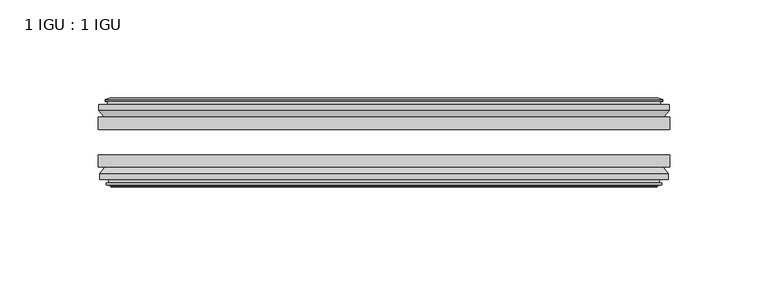
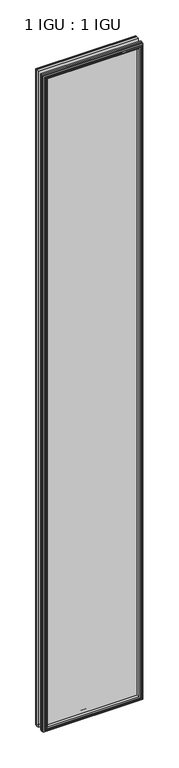
"""IFC4 building model written with IfcOpenShell, lengths in millimetres: plate geometry, 1 IGU : 1 IGU."""

from ifc_helpers import new_model, si_unit, frame, origin, place, context, project, spatial, polyline, outline, extrude, faceted_brep, source, transform, mapped, element, save


def plate_1_igu_1_igu_8593e378(model_context):
    return source(origin(), model_context, "Body", "SolidModel", [
        extrude(outline(polyline([(145.5801766, -25.8960937), (145.5801766, -32.2460938), (-145.5801766, -32.2460938), (-145.5801766, -25.8960937), (145.5801766, -25.8960937)])), frame((0.0, 0.0, -12.7), z_axis=(0.0, 0.0, 1.0), x_axis=(1.0, 0.0, 0.0)), (0.0, 0.0, 1.0), 2019.3),
        extrude(outline(polyline([(-145.5801766, -51.2960938), (-145.5801766, -45.2686737), (145.5801766, -45.2686737), (145.5801766, -51.2960938), (-145.5801766, -51.2960938)])), frame((0.0, 0.0, -12.7), z_axis=(0.0, 0.0, 1.0), x_axis=(1.0, 0.0, 0.0)), (0.0, 0.0, 1.0), 2019.3),
        faceted_brep([(-139.9921766, -60.0262907, 2001.012), (-140.3731766, -57.6460937, 2001.393), (-140.3731766, -57.6460937, -7.493), (-139.9921766, -60.0262907, -7.112), (-141.4077056, -59.5663575, 2002.4275291), (-141.4077056, -59.5663575, -8.5275291), (-141.4077056, -60.3675717, 2002.4275291), (-141.4077056, -60.3675717, -8.5275291), (-139.2301766, -61.0750937, 2000.25), (-139.2301766, -61.0750937, -6.35), (-137.0526475, -60.3675717, 1998.072471), (-137.0526475, -60.3675717, -4.1724709), (-137.0526475, -59.5663575, 1998.072471), (-137.0526475, -59.5663575, -4.1724709), (-138.4681766, -60.0262907, 1999.488), (-138.4681766, -60.0262907, -5.588), (-138.0871766, -57.6460937, 1999.107), (-138.0871766, -57.6460937, -5.207), (-131.1624585, -51.2960937, 1992.1822819), (-132.8801766, -57.6460937, 1993.9), (-132.8801766, -57.6460937, 0.0), (-131.1624585, -51.2960937, 1.7177181), (-144.8181766, -54.6996937, 2005.838), (-141.9838344, -51.2960937, 2003.0036578), (-141.9838344, -51.2960937, -9.1036578), (-144.8181766, -54.6996937, -11.938), (-144.8181766, -57.6460937, 2005.838), (-144.8181766, -57.6460937, -11.938), (140.3731766, -57.6460938, -7.493), (139.9921766, -60.0262907, -7.112), (141.4077056, -59.5663575, -8.5275291), (141.4077056, -60.3675717, -8.5275291), (139.2301766, -61.0750937, -6.35), (137.0526475, -60.3675717, -4.1724709), (137.0526475, -59.5663575, -4.1724709), (138.4681766, -60.0262907, -5.588), (138.0871766, -57.6460937, -5.207), (132.8801766, -57.6460937, 0.0), (131.1624585, -51.2960937, 1.7177181), (141.9838344, -51.2960937, -9.1036578), (144.8181766, -54.6996937, -11.938), (144.8181766, -57.6460938, -11.938), (140.3731766, -57.6460938, 2001.393), (139.9921766, -60.0262907, 2001.012), (141.4077056, -59.5663575, 2002.4275291), (141.4077056, -60.3675717, 2002.4275291), (139.2301766, -61.0750937, 2000.25), (137.0526475, -60.3675717, 1998.072471), (137.0526475, -59.5663575, 1998.072471), (138.4681766, -60.0262907, 1999.488), (138.0871766, -57.6460937, 1999.107), (132.8801766, -57.6460937, 1993.9), (131.1624585, -51.2960937, 1992.1822819), (141.9838344, -51.2960937, 2003.0036578), (144.8181766, -54.6996937, 2005.838), (144.8181766, -57.6460938, 2005.838)], [[[0, 1, 2, 3]], [[4, 0, 3, 5]], [[6, 4, 5, 7]], [[8, 6, 7, 9]], [[10, 8, 9, 11]], [[12, 10, 11, 13]], [[14, 12, 13, 15]], [[16, 14, 15, 17]], [[18, 19, 20, 21]], [[22, 23, 24, 25]], [[26, 22, 25, 27]], [[3, 2, 28, 29]], [[5, 3, 29, 30]], [[7, 5, 30, 31]], [[9, 7, 31, 32]], [[11, 9, 32, 33]], [[13, 11, 33, 34]], [[15, 13, 34, 35]], [[17, 15, 35, 36]], [[21, 20, 37, 38]], [[25, 24, 39, 40]], [[27, 25, 40, 41]], [[29, 28, 42, 43]], [[30, 29, 43, 44]], [[31, 30, 44, 45]], [[32, 31, 45, 46]], [[33, 32, 46, 47]], [[34, 33, 47, 48]], [[35, 34, 48, 49]], [[36, 35, 49, 50]], [[38, 37, 51, 52]], [[40, 39, 53, 54]], [[41, 40, 54, 55]], [[27, 41, 55, 26], [1, 42, 28, 2]], [[43, 42, 1, 0]], [[44, 43, 0, 4]], [[45, 44, 4, 6]], [[46, 45, 6, 8]], [[47, 46, 8, 10]], [[48, 47, 10, 12]], [[49, 48, 12, 14]], [[50, 49, 14, 16]], [[17, 36, 50, 16], [19, 51, 37, 20]], [[52, 51, 19, 18]], [[23, 53, 39, 24], [21, 38, 52, 18]], [[54, 53, 23, 22]], [[55, 54, 22, 26]]]),
        faceted_brep([(-142.5045344, -25.8960937, 2003.5243578), (-145.3388766, -22.4924937, 2006.3587), (-145.3388766, -22.4924937, -12.4587), (-142.5045344, -25.8960937, -9.6243578), (-133.4008766, -19.5460937, 1994.4207), (-131.6831585, -25.8960937, 1992.7029819), (-131.6831585, -25.8960937, 1.1970181), (-133.4008766, -19.5460937, -0.5207), (-138.9888766, -17.1658968, 2000.0087), (-138.6078766, -19.5460937, 1999.6277), (-138.6078766, -19.5460937, -5.7277), (-138.9888766, -17.1658968, -6.1087), (-137.5733475, -17.62583, 1998.593171), (-137.5733475, -17.62583, -4.6931709), (-137.5733475, -16.8246158, 1998.593171), (-137.5733475, -16.8246158, -4.6931709), (-139.7508766, -16.1170937, 2000.7707), (-139.7508766, -16.1170937, -6.8707), (-141.9284056, -16.8246158, 2002.9482291), (-141.9284056, -16.8246158, -9.0482291), (-141.9284056, -17.62583, 2002.9482291), (-141.9284056, -17.62583, -9.0482291), (-140.5128766, -17.1658968, 2001.5327), (-140.5128766, -17.1658968, -7.6327), (-140.8938766, -19.5460937, 2001.9137), (-140.8938766, -19.5460937, -8.0137), (-145.3388766, -19.5460937, 2006.3587), (-145.3388766, -19.5460937, -12.4587), (145.3388766, -22.4924937, -12.4587), (142.5045344, -25.8960937, -9.6243578), (131.6831585, -25.8960937, 1.1970181), (133.4008766, -19.5460937, -0.5207), (138.6078766, -19.5460937, -5.7277), (138.9888766, -17.1658968, -6.1087), (137.5733475, -17.62583, -4.6931709), (137.5733475, -16.8246158, -4.6931709), (139.7508766, -16.1170937, -6.8707), (141.9284056, -16.8246158, -9.0482291), (141.9284056, -17.62583, -9.0482291), (140.5128766, -17.1658968, -7.6327), (140.8938766, -19.5460937, -8.0137), (145.3388766, -19.5460937, -12.4587), (145.3388766, -22.4924937, 2006.3587), (142.5045344, -25.8960937, 2003.5243578), (131.6831585, -25.8960937, 1992.7029819), (133.4008766, -19.5460937, 1994.4207), (138.6078766, -19.5460937, 1999.6277), (138.9888766, -17.1658968, 2000.0087), (137.5733475, -17.62583, 1998.593171), (137.5733475, -16.8246158, 1998.593171), (139.7508766, -16.1170937, 2000.7707), (141.9284056, -16.8246158, 2002.9482291), (141.9284056, -17.62583, 2002.9482291), (140.5128766, -17.1658968, 2001.5327), (140.8938766, -19.5460937, 2001.9137), (145.3388766, -19.5460937, 2006.3587)], [[[0, 1, 2, 3]], [[4, 5, 6, 7]], [[8, 9, 10, 11]], [[12, 8, 11, 13]], [[14, 12, 13, 15]], [[16, 14, 15, 17]], [[18, 16, 17, 19]], [[20, 18, 19, 21]], [[22, 20, 21, 23]], [[24, 22, 23, 25]], [[1, 26, 27, 2]], [[3, 2, 28, 29]], [[7, 6, 30, 31]], [[11, 10, 32, 33]], [[13, 11, 33, 34]], [[15, 13, 34, 35]], [[17, 15, 35, 36]], [[19, 17, 36, 37]], [[21, 19, 37, 38]], [[23, 21, 38, 39]], [[25, 23, 39, 40]], [[2, 27, 41, 28]], [[29, 28, 42, 43]], [[31, 30, 44, 45]], [[33, 32, 46, 47]], [[34, 33, 47, 48]], [[35, 34, 48, 49]], [[36, 35, 49, 50]], [[37, 36, 50, 51]], [[38, 37, 51, 52]], [[39, 38, 52, 53]], [[40, 39, 53, 54]], [[28, 41, 55, 42]], [[43, 42, 1, 0]], [[3, 29, 43, 0], [5, 44, 30, 6]], [[45, 44, 5, 4]], [[9, 46, 32, 10], [7, 31, 45, 4]], [[47, 46, 9, 8]], [[48, 47, 8, 12]], [[49, 48, 12, 14]], [[50, 49, 14, 16]], [[51, 50, 16, 18]], [[52, 51, 18, 20]], [[53, 52, 20, 22]], [[54, 53, 22, 24]], [[26, 55, 41, 27], [25, 40, 54, 24]], [[42, 55, 26, 1]]]),
    ])


if __name__ == "__main__":
    model = new_model("IFC4")
    model_context = context("Model", 3, world=origin())
    ifc_project = project(units=[si_unit("LENGTHUNIT", "METRE", prefix="MILLI")], contexts=[model_context])
    site = spatial("IfcSite", under=ifc_project)
    building = spatial("IfcBuilding", under=site)
    placement = place(None, origin())
    plate_1_igu_1_igu_shape = plate_1_igu_1_igu_8593e378(model_context)
    element("IfcPlate", 1, ObjectType="1 IGU : 1 IGU", at=placement, inside=building, context=model_context, shape_type="MappedRepresentation", body=[
        mapped(plate_1_igu_1_igu_shape, transform((0.0, 0.0, 0.0), x_axis=(1.0, 0.0, 0.0), y_axis=(0.0, 1.0, 0.0), z_axis=(0.0, 0.0, 1.0))),
    ])
    save(model, "model.ifc")
